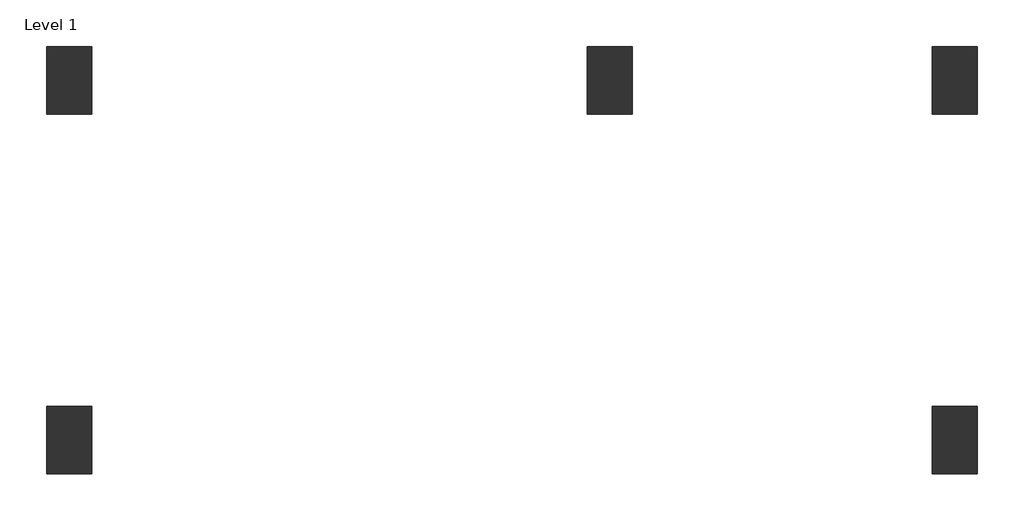
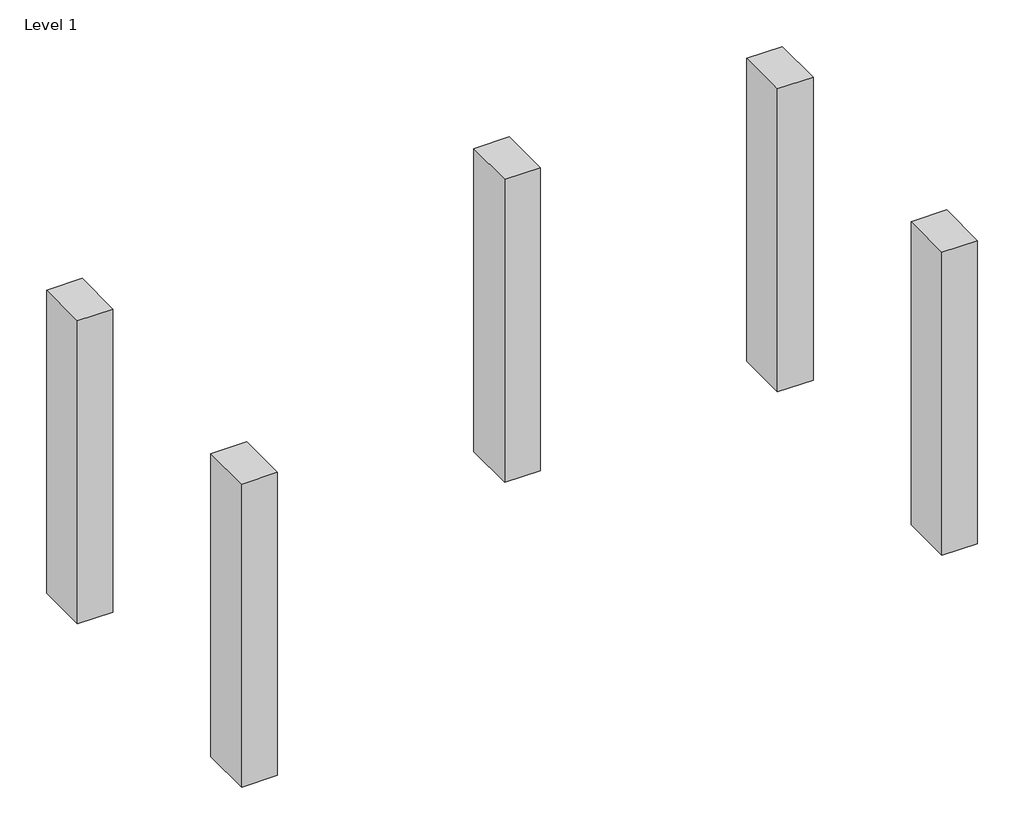
# One storey: 5 columns.
"""IFC4 building model written with IfcOpenShell, lengths in millimetres."""

from ifc_helpers import new_model, si_unit, origin, origin_with_axes, place, context, project, spatial, polyline, outline, extrude, element, save

model = new_model("IFC4")

# Units and contexts
model_context = context("Model", 3, world=origin())
ifc_project = project(units=[si_unit("LENGTHUNIT", "METRE", prefix="MILLI")], contexts=[model_context])

# Site, building, storey
site = spatial("IfcSite", under=ifc_project)
building = spatial("IfcBuilding", under=site)
storey = spatial("IfcBuildingStorey", under=building, Name="Level 1", Elevation=0.0)

# Columns
placement = place(None, origin())
element("IfcColumn", 1, ObjectType="Concrete-Rectangular-Column : 300 x 450mm", at=placement, inside=storey, context=model_context, shape_type="SweptSolid", body=[
    extrude(outline(polyline([(-11191.3311483, 4697.6109772), (-11191.3311483, 4247.6109772), (-11491.3311483, 4247.6109772), (-11491.3311483, 4697.6109772), (-11191.3311483, 4697.6109772)])), origin_with_axes(), (0.0, 0.0, 1.0), 2700.0),
])
element("IfcColumn", 2, ObjectType="Concrete-Rectangular-Column : 300 x 450mm", at=placement, inside=storey, context=model_context, shape_type="SweptSolid", body=[
    extrude(outline(polyline([(-5291.3311483, 4697.6109772), (-5291.3311483, 4247.6109772), (-5591.3311483, 4247.6109772), (-5591.3311483, 4697.6109772), (-5291.3311483, 4697.6109772)])), origin_with_axes(), (0.0, 0.0, 1.0), 2700.0),
])
element("IfcColumn", 3, ObjectType="Concrete-Rectangular-Column : 300 x 450mm", at=placement, inside=storey, context=model_context, shape_type="SweptSolid", body=[
    extrude(outline(polyline([(-5291.3311483, 2297.6109772), (-5291.3311483, 1847.6109772), (-5591.3311483, 1847.6109772), (-5591.3311483, 2297.6109772), (-5291.3311483, 2297.6109772)])), origin_with_axes(), (0.0, 0.0, 1.0), 2700.0),
])
element("IfcColumn", 4, ObjectType="Concrete-Rectangular-Column : 300 x 450mm", at=placement, inside=storey, context=model_context, shape_type="SweptSolid", body=[
    extrude(outline(polyline([(-11191.3311483, 2297.6109772), (-11191.3311483, 1847.6109772), (-11491.3311483, 1847.6109772), (-11491.3311483, 2297.6109772), (-11191.3311483, 2297.6109772)])), origin_with_axes(), (0.0, 0.0, 1.0), 2700.0),
])
element("IfcColumn", 5, ObjectType="Concrete-Rectangular-Column : 300 x 450mm", at=placement, inside=storey, context=model_context, shape_type="SweptSolid", body=[
    extrude(outline(polyline([(-7591.3311483, 4697.6109772), (-7591.3311483, 4247.6109772), (-7891.3311483, 4247.6109772), (-7891.3311483, 4697.6109772), (-7591.3311483, 4697.6109772)])), origin_with_axes(), (0.0, 0.0, 1.0), 2700.0),
])

save(model, "model.ifc")
